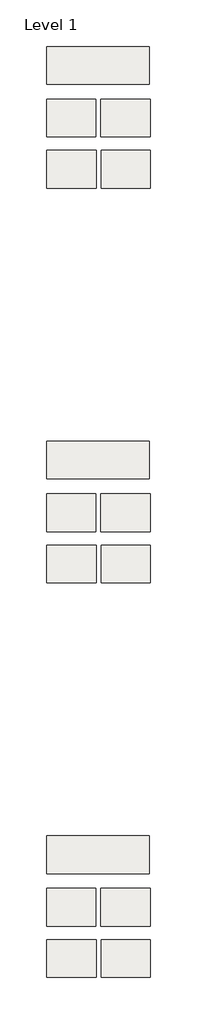
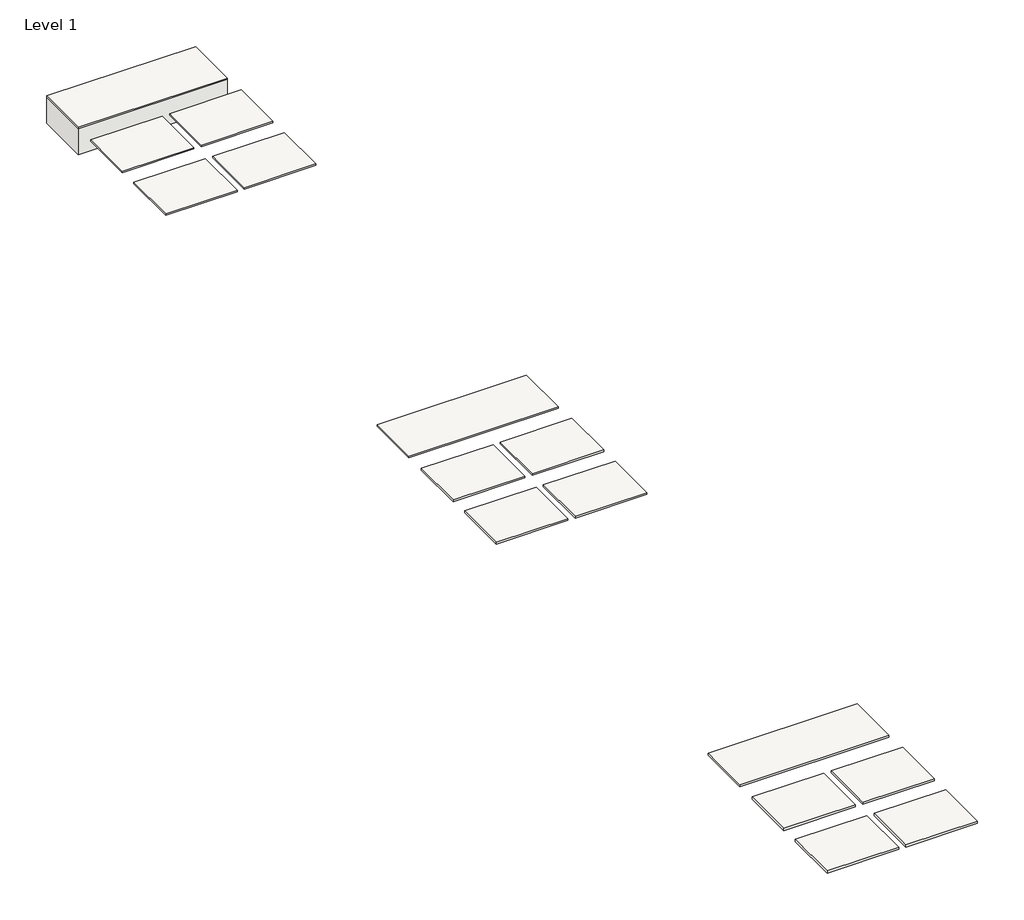
# One storey: 16 slabs.
"""IFC4 building model written with IfcOpenShell, lengths in millimetres."""

import ifcopenshell
import ifcopenshell.guid

model = None  # the IFC model being written
_history = None  # IfcOwnerHistory: only IFC2X3 demands one
_inside = {}  # id of a spatial element -> (the spatial element, [elements in it])
_under = {}  # id of a project, library or spatial element -> (it, [spatial elements below it])
_declared = {}  # id of a project -> (the project, [libraries it declares])
_typed = {}  # id of a type object -> (the type object, [elements of that type])
_made_of = {}  # id of a material, layer set ... -> (it, [elements and type objects made of it])


def new_model(schema):
    """Start an empty IFC model of exactly this schema.

    Asked for "IFC4X3", IfcOpenShell would pick the latest addendum, in which some entities
    have other attributes; the version numbers below select the first issue.
    IFC2X3 requires an IfcOwnerHistory on every rooted entity: one is made here for all.
    """
    global model, _history
    if schema == "IFC4X3":
        model = ifcopenshell.file(schema_version=(4, 3, 0, 0))
    else:
        model = ifcopenshell.file(schema=schema)
    _inside.clear()
    _under.clear()
    _declared.clear()
    _typed.clear()
    _made_of.clear()
    _history = None
    if model.schema == "IFC2X3":
        org = make("IfcOrganization", Name="unknown")
        user = make(
            "IfcPersonAndOrganization",
            ThePerson=make("IfcPerson", FamilyName="unknown"),
            TheOrganization=org,
        )
        app = make(
            "IfcApplication",
            ApplicationDeveloper=org,
            Version="unknown",
            ApplicationFullName="unknown",
            ApplicationIdentifier="unknown",
        )
        _history = make(
            "IfcOwnerHistory",
            OwningUser=user,
            OwningApplication=app,
            ChangeAction="ADDED",
            CreationDate=0,
        )
    return model


def make(cls, **values):
    """One entity of the class cls with the attributes given. An attribute that is None is left unset."""
    return model.create_entity(
        cls, **{name: value for name, value in values.items() if value is not None}
    )


def rooted(cls, **values):
    """An entity with a GlobalId (a new one), such as an element, a storey or a relation."""
    return make(cls, GlobalId=ifcopenshell.guid.new(), OwnerHistory=_history, **values)


def si_unit(unit_type, name, prefix=None):
    """IfcSIUnit, for example si_unit("LENGTHUNIT", "METRE", prefix="MILLI")."""
    return make("IfcSIUnit", UnitType=unit_type, Prefix=prefix, Name=name)


def assignment(units):
    """IfcUnitAssignment: the units of a project."""
    return None if units is None else make("IfcUnitAssignment", Units=units)


def point(xyz):
    """IfcCartesianPoint."""
    return None if xyz is None else make("IfcCartesianPoint", Coordinates=xyz)


def direction(xyz):
    """IfcDirection."""
    return None if xyz is None else make("IfcDirection", DirectionRatios=xyz)


def frame(location, z_axis=None, x_axis=None):
    """IfcAxis2Placement3D, a coordinate frame: its origin and axes. An axis left out is left unset."""
    return make(
        "IfcAxis2Placement3D",
        Location=point(location),
        Axis=direction(z_axis),
        RefDirection=direction(x_axis),
    )


def origin():
    """The frame at (0, 0, 0) with its axes left unset."""
    return frame((0.0, 0.0, 0.0))


def place(relative_to, where):
    """IfcLocalPlacement: puts the frame where relative to a parent placement (None: the world)."""
    return make(
        "IfcLocalPlacement", PlacementRelTo=relative_to, RelativePlacement=where
    )


def context(
    kind, dimensions, precision=None, world=None, true_north=None, identifier=None
):
    """IfcGeometricRepresentationContext, for example the 3D "Model" context."""
    return make(
        "IfcGeometricRepresentationContext",
        ContextIdentifier=identifier,
        ContextType=kind,
        CoordinateSpaceDimension=dimensions,
        Precision=precision,
        WorldCoordinateSystem=world,
        TrueNorth=true_north,
    )


def project(units=None, contexts=None):
    """IfcProject with its units and contexts."""
    return rooted(
        "IfcProject",
        Name="project",
        RepresentationContexts=contexts,
        UnitsInContext=assignment(units),
    )


def spatial(cls, under=None, at=None, **own):
    """A site, building, storey or space (cls), placed at a placement, below another one or the project."""
    s = rooted(cls, ObjectPlacement=at, **own)
    if under is not None:
        _under.setdefault(under.id(), (under, []))[1].append(s)
    return s


def polyline(points):
    """IfcPolyline through the points."""
    return make("IfcPolyline", Points=[point(p) for p in points])


def outline(outer, holes=None, kind="AREA"):
    """IfcArbitraryClosedProfileDef: a profile drawn as a closed curve; with holes, ...WithVoids."""
    if holes is None:
        return make("IfcArbitraryClosedProfileDef", ProfileType=kind, OuterCurve=outer)
    return make(
        "IfcArbitraryProfileDefWithVoids",
        ProfileType=kind,
        OuterCurve=outer,
        InnerCurves=holes,
    )


def extrude(swept, where, along, depth):
    """IfcExtrudedAreaSolid: the profile swept, set in the frame where, extruded along a direction by depth."""
    return make(
        "IfcExtrudedAreaSolid",
        SweptArea=swept,
        Position=where,
        ExtrudedDirection=direction(along),
        Depth=depth,
    )


def shape(context_of_items, identifier, shape_type, items):
    """IfcShapeRepresentation: the items that make up one representation, for example the "Body"."""
    return make(
        "IfcShapeRepresentation",
        ContextOfItems=context_of_items,
        RepresentationIdentifier=identifier,
        RepresentationType=shape_type,
        Items=items,
    )


def made_of(thing, what):
    """Note that an element or type object is made of a material, layer set ...; save() writes the relation."""
    if what is not None:
        _made_of.setdefault(what.id(), (what, []))[1].append(thing)
    return thing


def element(
    cls,
    number,
    at=None,
    inside=None,
    cuts=None,
    type_object=None,
    material=None,
    context=None,
    identifier="Body",
    shape_type=None,
    held_by="IfcProductDefinitionShape",
    body=None,
    shapes=None,
    **own,
):
    """One element of the class cls, such as IfcWall. Its Tag is "e" and its number.

    at: its placement. inside: the storey or other place that contains it. cuts: it is an
    opening in that element (IfcRelVoidsElement). A single representation is given by context,
    identifier, shape_type and body (its items); several are given by shapes. held_by: the class
    of the entity that holds the representations. save() writes the other relations.
    """
    e = rooted(cls, Tag="e%d" % number, ObjectPlacement=at, **own)
    if body is not None:
        shapes = [shape(context, identifier, shape_type, body)]
    if shapes is not None:
        e.Representation = make(held_by, Representations=shapes)
    if inside is not None:
        _inside.setdefault(inside.id(), (inside, []))[1].append(e)
    if cuts is not None:
        rooted(
            "IfcRelVoidsElement", RelatingBuildingElement=cuts, RelatedOpeningElement=e
        )
    if type_object is not None:
        _typed.setdefault(type_object.id(), (type_object, []))[1].append(e)
    return made_of(e, material)


def aggregate(whole, parts):
    """IfcRelAggregates: a whole, such as a stair, and the parts it consists of."""
    return rooted("IfcRelAggregates", RelatingObject=whole, RelatedObjects=parts)


def save(model, path):
    """Write the relations noted so far, then the file.

    IfcRelAggregates (storeys below a building ...), IfcRelContainedInSpatialStructure (elements
    in a storey), IfcRelDefinesByType, IfcRelAssociatesMaterial and IfcRelDeclares: one each for
    every whole, place, type object, material and project.
    """
    for whole, parts in _under.values():
        aggregate(whole, parts)
    for where, things in _inside.values():
        rooted(
            "IfcRelContainedInSpatialStructure",
            RelatedElements=things,
            RelatingStructure=where,
        )
    for kind, things in _typed.values():
        rooted("IfcRelDefinesByType", RelatedObjects=things, RelatingType=kind)
    for what, things in _made_of.values():
        rooted("IfcRelAssociatesMaterial", RelatedObjects=things, RelatingMaterial=what)
    for by, libraries in _declared.values():
        rooted("IfcRelDeclares", RelatingContext=by, RelatedDefinitions=libraries)
    model.write(path)


model = new_model("IFC4")

# Units and contexts
model_context = context("Model", 3, world=origin())
ifc_project = project(units=[si_unit("LENGTHUNIT", "METRE", prefix="MILLI")], contexts=[model_context])

# Site, building, storey
site = spatial("IfcSite", under=ifc_project)
building = spatial("IfcBuilding", under=site)
storey = spatial("IfcBuildingStorey", under=building, Name="Level 1", Elevation=0.0)

# Slabs
placement = place(None, origin())
element("IfcSlab", 1, at=placement, inside=storey, context=model_context, shape_type="SweptSolid", body=[
    extrude(outline(polyline([(-11503.817161, 9051.0250479), (-11503.817161, 9343.1250479), (-10710.067161, 9343.1250479), (-10710.067161, 9051.0250479), (-11503.817161, 9051.0250479)])), frame((0.0, 0.0, -10.0000003), z_axis=(0.0, 0.0, 1.0), x_axis=(1.0, 0.0, 0.0)), (0.0, 0.0, 1.0), 10.0000003),
])
element("IfcSlab", 2, at=placement, inside=storey, context=model_context, shape_type="SweptSolid", body=[
    extrude(outline(polyline([(-11503.817161, 8644.6250479), (-11503.817161, 8936.7250479), (-11122.817161, 8936.7250479), (-11122.817161, 8644.6250479), (-11503.817161, 8644.6250479)])), frame((0.0, 0.0, -10.0000003), z_axis=(0.0, 0.0, 1.0), x_axis=(1.0, 0.0, 0.0)), (0.0, 0.0, 1.0), 10.0000003),
])
element("IfcSlab", 3, at=placement, inside=storey, context=model_context, shape_type="SweptSolid", body=[
    extrude(outline(polyline([(-11083.923411, 8644.6250479), (-11083.923411, 8936.7250479), (-10702.923411, 8936.7250479), (-10702.923411, 8644.6250479), (-11083.923411, 8644.6250479)])), frame((0.0, 0.0, -10.0000003), z_axis=(0.0, 0.0, 1.0), x_axis=(1.0, 0.0, 0.0)), (0.0, 0.0, 1.0), 10.0000003),
])
element("IfcSlab", 4, at=placement, inside=storey, context=model_context, shape_type="SweptSolid", body=[
    extrude(outline(polyline([(-11502.1745676, 8248.9957663), (-11502.1745676, 8541.0957663), (-11121.1745676, 8541.0957663), (-11121.1745676, 8248.9957663), (-11502.1745676, 8248.9957663)])), frame((0.0, 0.0, -10.0210938), z_axis=(0.0, 0.0, 1.0), x_axis=(1.0, 0.0, 0.0)), (0.0, 0.0, 1.0), 10.0210938),
])
element("IfcSlab", 5, at=placement, inside=storey, context=model_context, shape_type="SweptSolid", body=[
    extrude(outline(polyline([(-11083.0745676, 8248.9957663), (-11083.0745676, 8541.0957663), (-10702.0745676, 8541.0957663), (-10702.0745676, 8248.9957663), (-11083.0745676, 8248.9957663)])), frame((0.0, 0.0, -10.0000003), z_axis=(0.0, 0.0, 1.0), x_axis=(1.0, 0.0, 0.0)), (0.0, 0.0, 1.0), 10.0000003),
])
element("IfcSlab", 6, at=placement, inside=storey, context=model_context, shape_type="SweptSolid", body=[
    extrude(outline(polyline([(-11503.817161, 6003.0250479), (-11503.817161, 6295.1250479), (-10710.067161, 6295.1250479), (-10710.067161, 6003.0250479), (-11503.817161, 6003.0250479)])), frame((0.0, 0.0, -12.0000004), z_axis=(0.0, 0.0, 1.0), x_axis=(1.0, 0.0, 0.0)), (0.0, 0.0, 1.0), 12.0000004),
])
element("IfcSlab", 7, at=placement, inside=storey, context=model_context, shape_type="SweptSolid", body=[
    extrude(outline(polyline([(-11503.817161, 5596.6250479), (-11503.817161, 5888.7250479), (-11122.817161, 5888.7250479), (-11122.817161, 5596.6250479), (-11503.817161, 5596.6250479)])), frame((0.0, 0.0, -12.0000004), z_axis=(0.0, 0.0, 1.0), x_axis=(1.0, 0.0, 0.0)), (0.0, 0.0, 1.0), 12.0000004),
])
element("IfcSlab", 8, at=placement, inside=storey, context=model_context, shape_type="SweptSolid", body=[
    extrude(outline(polyline([(-11083.923411, 5596.6250479), (-11083.923411, 5888.7250479), (-10702.923411, 5888.7250479), (-10702.923411, 5596.6250479), (-11083.923411, 5596.6250479)])), frame((0.0, 0.0, -12.0000004), z_axis=(0.0, 0.0, 1.0), x_axis=(1.0, 0.0, 0.0)), (0.0, 0.0, 1.0), 12.0000004),
])
element("IfcSlab", 9, at=placement, inside=storey, context=model_context, shape_type="SweptSolid", body=[
    extrude(outline(polyline([(-11502.1745676, 5200.9957663), (-11502.1745676, 5493.0957663), (-11121.1745676, 5493.0957663), (-11121.1745676, 5200.9957663), (-11502.1745676, 5200.9957663)])), frame((0.0, 0.0, -12.0054688), z_axis=(0.0, 0.0, 1.0), x_axis=(1.0, 0.0, 0.0)), (0.0, 0.0, 1.0), 12.0054688),
])
element("IfcSlab", 10, at=placement, inside=storey, context=model_context, shape_type="SweptSolid", body=[
    extrude(outline(polyline([(-11083.0745676, 5200.9957663), (-11083.0745676, 5493.0957663), (-10702.0745676, 5493.0957663), (-10702.0745676, 5200.9957663), (-11083.0745676, 5200.9957663)])), frame((0.0, 0.0, -12.0054688), z_axis=(0.0, 0.0, 1.0), x_axis=(1.0, 0.0, 0.0)), (0.0, 0.0, 1.0), 12.0054688),
])
element("IfcSlab", 11, at=placement, inside=storey, context=model_context, shape_type="SweptSolid", body=[
    extrude(outline(polyline([(-11503.817161, 12099.0250479), (-11503.817161, 12391.1250479), (-10710.067161, 12391.1250479), (-10710.067161, 12099.0250479), (-11503.817161, 12099.0250479)])), frame((0.0, 0.0, -8.0000003), z_axis=(0.0, 0.0, 1.0), x_axis=(1.0, 0.0, 0.0)), (0.0, 0.0, 1.0), 8.0000003),
])
element("IfcSlab", 12, at=placement, inside=storey, context=model_context, shape_type="SweptSolid", body=[
    extrude(outline(polyline([(-11503.817161, 11692.6250479), (-11503.817161, 11984.7250479), (-11122.817161, 11984.7250479), (-11122.817161, 11692.6250479), (-11503.817161, 11692.6250479)])), frame((0.0, 0.0, -8.0000003), z_axis=(0.0, 0.0, 1.0), x_axis=(1.0, 0.0, 0.0)), (0.0, 0.0, 1.0), 8.0000003),
])
element("IfcSlab", 13, at=placement, inside=storey, context=model_context, shape_type="SweptSolid", body=[
    extrude(outline(polyline([(-11083.923411, 11692.6250479), (-11083.923411, 11984.7250479), (-10702.923411, 11984.7250479), (-10702.923411, 11692.6250479), (-11083.923411, 11692.6250479)])), frame((0.0, 0.0, -8.0000003), z_axis=(0.0, 0.0, 1.0), x_axis=(1.0, 0.0, 0.0)), (0.0, 0.0, 1.0), 8.0000003),
])
element("IfcSlab", 14, at=placement, inside=storey, context=model_context, shape_type="SweptSolid", body=[
    extrude(outline(polyline([(-11502.1745676, 11296.9957663), (-11502.1745676, 11589.0957663), (-11121.1745676, 11589.0957663), (-11121.1745676, 11296.9957663), (-11502.1745676, 11296.9957663)])), frame((0.0, 0.0, -8.0367188), z_axis=(0.0, 0.0, 1.0), x_axis=(1.0, 0.0, 0.0)), (0.0, 0.0, 1.0), 8.0367188),
])
element("IfcSlab", 15, at=placement, inside=storey, context=model_context, shape_type="SweptSolid", body=[
    extrude(outline(polyline([(-11083.0745676, 11296.9957663), (-11083.0745676, 11589.0957663), (-10702.0745676, 11589.0957663), (-10702.0745676, 11296.9957663), (-11083.0745676, 11296.9957663)])), frame((0.0, 0.0, -8.0000003), z_axis=(0.0, 0.0, 1.0), x_axis=(1.0, 0.0, 0.0)), (0.0, 0.0, 1.0), 8.0000003),
])
element("IfcSlab", 16, ObjectType="6\" Foundation Slab", at=placement, inside=storey, context=model_context, shape_type="SweptSolid", body=[
    extrude(outline(polyline([(-11503.817161, 12099.0250479), (-11503.817161, 12391.1250479), (-10710.067161, 12391.1250479), (-10710.067161, 12099.0250479), (-11503.817161, 12099.0250479)])), frame((0.0, 0.0, -152.4), z_axis=(0.0, 0.0, 1.0), x_axis=(1.0, 0.0, 0.0)), (0.0, 0.0, 1.0), 152.4),
])

save(model, "model.ifc")
